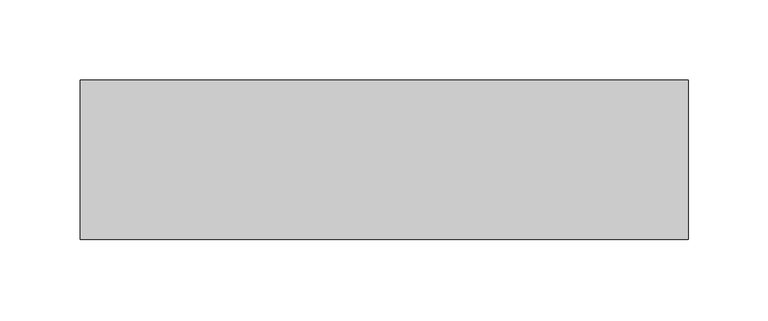
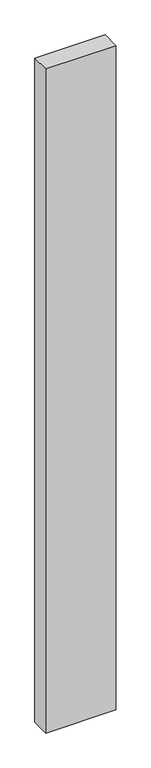
"""IFC4 building model written with IfcOpenShell, lengths in millimetres: proxy geometry."""

from ifc_helpers import new_model, si_unit, frame, origin, place, context, project, spatial, polyline, outline, extrude, source, transform, mapped, element, save


def generic_models_75d45f39(model_context):
    return source(origin(), model_context, "Body", "SweptSolid", [
        extrude(outline(polyline([(380.0, 100.0), (380.0, 0.0), (0.0, 0.0), (0.0, 100.0), (380.0, 100.0)])), frame((0.0, 0.0, -3800.0), z_axis=(0.0, 0.0, 1.0), x_axis=(1.0, 0.0, 0.0)), (0.0, 0.0, 1.0), 3800.0),
    ])


if __name__ == "__main__":
    model = new_model("IFC4")
    model_context = context("Model", 3, world=origin())
    ifc_project = project(units=[si_unit("LENGTHUNIT", "METRE", prefix="MILLI")], contexts=[model_context])
    site = spatial("IfcSite", under=ifc_project)
    building = spatial("IfcBuilding", under=site)
    placement = place(None, origin())
    generic_models_shape = generic_models_75d45f39(model_context)
    element("IfcBuildingElementProxy", 1, Name="Generic Models", at=placement, inside=building, context=model_context, shape_type="MappedRepresentation", body=[
        mapped(generic_models_shape, transform((0.0, 0.0, 0.0), x_axis=(1.0, 0.0, 0.0), y_axis=(0.0, 1.0, 0.0), z_axis=(0.0, 0.0, 1.0))),
    ])
    save(model, "model.ifc")
